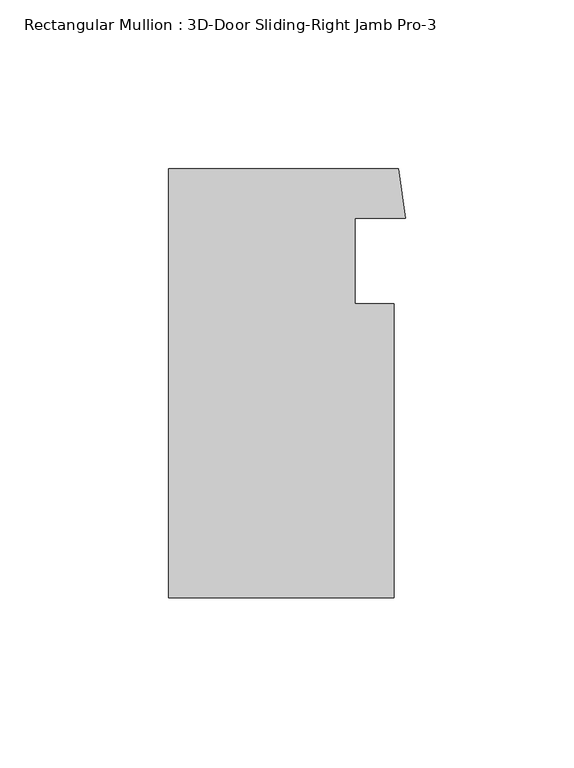
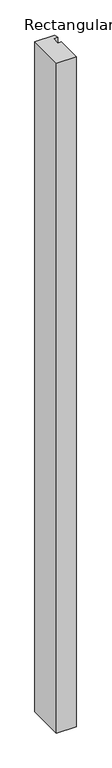
"""IFC4 building model written with IfcOpenShell, lengths in millimetres: member geometry, Rectangular Mullion : 3D-Door Sliding-Right Jamb Pro-3."""

import ifcopenshell
import ifcopenshell.guid

model = None  # the IFC model being written
_history = None  # IfcOwnerHistory: only IFC2X3 demands one
_inside = {}  # id of a spatial element -> (the spatial element, [elements in it])
_under = {}  # id of a project, library or spatial element -> (it, [spatial elements below it])
_declared = {}  # id of a project -> (the project, [libraries it declares])
_typed = {}  # id of a type object -> (the type object, [elements of that type])
_made_of = {}  # id of a material, layer set ... -> (it, [elements and type objects made of it])


def new_model(schema):
    """Start an empty IFC model of exactly this schema.

    Asked for "IFC4X3", IfcOpenShell would pick the latest addendum, in which some entities
    have other attributes; the version numbers below select the first issue.
    IFC2X3 requires an IfcOwnerHistory on every rooted entity: one is made here for all.
    """
    global model, _history
    if schema == "IFC4X3":
        model = ifcopenshell.file(schema_version=(4, 3, 0, 0))
    else:
        model = ifcopenshell.file(schema=schema)
    _inside.clear()
    _under.clear()
    _declared.clear()
    _typed.clear()
    _made_of.clear()
    _history = None
    if model.schema == "IFC2X3":
        org = make("IfcOrganization", Name="unknown")
        user = make(
            "IfcPersonAndOrganization",
            ThePerson=make("IfcPerson", FamilyName="unknown"),
            TheOrganization=org,
        )
        app = make(
            "IfcApplication",
            ApplicationDeveloper=org,
            Version="unknown",
            ApplicationFullName="unknown",
            ApplicationIdentifier="unknown",
        )
        _history = make(
            "IfcOwnerHistory",
            OwningUser=user,
            OwningApplication=app,
            ChangeAction="ADDED",
            CreationDate=0,
        )
    return model


def make(cls, **values):
    """One entity of the class cls with the attributes given. An attribute that is None is left unset."""
    return model.create_entity(
        cls, **{name: value for name, value in values.items() if value is not None}
    )


def rooted(cls, **values):
    """An entity with a GlobalId (a new one), such as an element, a storey or a relation."""
    return make(cls, GlobalId=ifcopenshell.guid.new(), OwnerHistory=_history, **values)


def si_unit(unit_type, name, prefix=None):
    """IfcSIUnit, for example si_unit("LENGTHUNIT", "METRE", prefix="MILLI")."""
    return make("IfcSIUnit", UnitType=unit_type, Prefix=prefix, Name=name)


def assignment(units):
    """IfcUnitAssignment: the units of a project."""
    return None if units is None else make("IfcUnitAssignment", Units=units)


def point(xyz):
    """IfcCartesianPoint."""
    return None if xyz is None else make("IfcCartesianPoint", Coordinates=xyz)


def direction(xyz):
    """IfcDirection."""
    return None if xyz is None else make("IfcDirection", DirectionRatios=xyz)


def frame(location, z_axis=None, x_axis=None):
    """IfcAxis2Placement3D, a coordinate frame: its origin and axes. An axis left out is left unset."""
    return make(
        "IfcAxis2Placement3D",
        Location=point(location),
        Axis=direction(z_axis),
        RefDirection=direction(x_axis),
    )


def origin():
    """The frame at (0, 0, 0) with its axes left unset."""
    return frame((0.0, 0.0, 0.0))


def place(relative_to, where):
    """IfcLocalPlacement: puts the frame where relative to a parent placement (None: the world)."""
    return make(
        "IfcLocalPlacement", PlacementRelTo=relative_to, RelativePlacement=where
    )


def context(
    kind, dimensions, precision=None, world=None, true_north=None, identifier=None
):
    """IfcGeometricRepresentationContext, for example the 3D "Model" context."""
    return make(
        "IfcGeometricRepresentationContext",
        ContextIdentifier=identifier,
        ContextType=kind,
        CoordinateSpaceDimension=dimensions,
        Precision=precision,
        WorldCoordinateSystem=world,
        TrueNorth=true_north,
    )


def project(units=None, contexts=None):
    """IfcProject with its units and contexts."""
    return rooted(
        "IfcProject",
        Name="project",
        RepresentationContexts=contexts,
        UnitsInContext=assignment(units),
    )


def spatial(cls, under=None, at=None, **own):
    """A site, building, storey or space (cls), placed at a placement, below another one or the project."""
    s = rooted(cls, ObjectPlacement=at, **own)
    if under is not None:
        _under.setdefault(under.id(), (under, []))[1].append(s)
    return s


def polyline(points):
    """IfcPolyline through the points."""
    return make("IfcPolyline", Points=[point(p) for p in points])


def outline(outer, holes=None, kind="AREA"):
    """IfcArbitraryClosedProfileDef: a profile drawn as a closed curve; with holes, ...WithVoids."""
    if holes is None:
        return make("IfcArbitraryClosedProfileDef", ProfileType=kind, OuterCurve=outer)
    return make(
        "IfcArbitraryProfileDefWithVoids",
        ProfileType=kind,
        OuterCurve=outer,
        InnerCurves=holes,
    )


def extrude(swept, where, along, depth):
    """IfcExtrudedAreaSolid: the profile swept, set in the frame where, extruded along a direction by depth."""
    return make(
        "IfcExtrudedAreaSolid",
        SweptArea=swept,
        Position=where,
        ExtrudedDirection=direction(along),
        Depth=depth,
    )


def shape(context_of_items, identifier, shape_type, items):
    """IfcShapeRepresentation: the items that make up one representation, for example the "Body"."""
    return make(
        "IfcShapeRepresentation",
        ContextOfItems=context_of_items,
        RepresentationIdentifier=identifier,
        RepresentationType=shape_type,
        Items=items,
    )


def source(mapping_origin, context_of_items, identifier, shape_type, items):
    """IfcRepresentationMap: a shape defined once, which mapped items show again and again."""
    return make(
        "IfcRepresentationMap",
        MappingOrigin=mapping_origin,
        MappedRepresentation=shape(context_of_items, identifier, shape_type, items),
    )


def transform(
    local_origin,
    x_axis=None,
    y_axis=None,
    z_axis=None,
    scale=None,
    scale2=None,
    scale3=None,
    uniform=True,
):
    """IfcCartesianTransformationOperator3D, or its non-uniform kind. x_axis, y_axis, z_axis: its Axis1, 2, 3."""
    if uniform:
        return make(
            "IfcCartesianTransformationOperator3D",
            Axis1=direction(x_axis),
            Axis2=direction(y_axis),
            LocalOrigin=point(local_origin),
            Scale=scale,
            Axis3=direction(z_axis),
        )
    return make(
        "IfcCartesianTransformationOperator3DnonUniform",
        Axis1=direction(x_axis),
        Axis2=direction(y_axis),
        LocalOrigin=point(local_origin),
        Scale=scale,
        Axis3=direction(z_axis),
        Scale2=scale2,
        Scale3=scale3,
    )


def mapped(mapping_source, mapping_target):
    """IfcMappedItem: shows the shape of a source again, moved by a transform."""
    return make(
        "IfcMappedItem", MappingSource=mapping_source, MappingTarget=mapping_target
    )


def made_of(thing, what):
    """Note that an element or type object is made of a material, layer set ...; save() writes the relation."""
    if what is not None:
        _made_of.setdefault(what.id(), (what, []))[1].append(thing)
    return thing


def element(
    cls,
    number,
    at=None,
    inside=None,
    cuts=None,
    type_object=None,
    material=None,
    context=None,
    identifier="Body",
    shape_type=None,
    held_by="IfcProductDefinitionShape",
    body=None,
    shapes=None,
    **own,
):
    """One element of the class cls, such as IfcWall. Its Tag is "e" and its number.

    at: its placement. inside: the storey or other place that contains it. cuts: it is an
    opening in that element (IfcRelVoidsElement). A single representation is given by context,
    identifier, shape_type and body (its items); several are given by shapes. held_by: the class
    of the entity that holds the representations. save() writes the other relations.
    """
    e = rooted(cls, Tag="e%d" % number, ObjectPlacement=at, **own)
    if body is not None:
        shapes = [shape(context, identifier, shape_type, body)]
    if shapes is not None:
        e.Representation = make(held_by, Representations=shapes)
    if inside is not None:
        _inside.setdefault(inside.id(), (inside, []))[1].append(e)
    if cuts is not None:
        rooted(
            "IfcRelVoidsElement", RelatingBuildingElement=cuts, RelatedOpeningElement=e
        )
    if type_object is not None:
        _typed.setdefault(type_object.id(), (type_object, []))[1].append(e)
    return made_of(e, material)


def aggregate(whole, parts):
    """IfcRelAggregates: a whole, such as a stair, and the parts it consists of."""
    return rooted("IfcRelAggregates", RelatingObject=whole, RelatedObjects=parts)


def save(model, path):
    """Write the relations noted so far, then the file.

    IfcRelAggregates (storeys below a building ...), IfcRelContainedInSpatialStructure (elements
    in a storey), IfcRelDefinesByType, IfcRelAssociatesMaterial and IfcRelDeclares: one each for
    every whole, place, type object, material and project.
    """
    for whole, parts in _under.values():
        aggregate(whole, parts)
    for where, things in _inside.values():
        rooted(
            "IfcRelContainedInSpatialStructure",
            RelatedElements=things,
            RelatingStructure=where,
        )
    for kind, things in _typed.values():
        rooted("IfcRelDefinesByType", RelatedObjects=things, RelatingType=kind)
    for what, things in _made_of.values():
        rooted("IfcRelAssociatesMaterial", RelatedObjects=things, RelatingMaterial=what)
    for by, libraries in _declared.values():
        rooted("IfcRelDeclares", RelatingContext=by, RelatedDefinitions=libraries)
    model.write(path)


def rectangular_mullion_3d_door_sliding_right_jamb_pro_3_cde81ece(model_context):
    return source(origin(), model_context, "Body", "SweptSolid", [
        extrude(outline(polyline([(28.575, -73.025), (-38.1000081, -73.025), (-38.1000081, 53.975), (29.9153925, 53.975), (31.9827036, 39.3889716), (17.0887205, 39.3889716), (17.0887205, 14.0881904), (28.575, 14.0881904), (28.575, -73.025)])), frame((0.0, 0.0, -2408.73286), z_axis=(0.0, 0.0, 1.0), x_axis=(1.0, 0.0, 0.0)), (0.0, 0.0, 1.0), 2408.73286),
    ])


if __name__ == "__main__":
    model = new_model("IFC4")
    model_context = context("Model", 3, world=origin())
    ifc_project = project(units=[si_unit("LENGTHUNIT", "METRE", prefix="MILLI")], contexts=[model_context])
    site = spatial("IfcSite", under=ifc_project)
    building = spatial("IfcBuilding", under=site)
    placement = place(None, origin())
    rectangular_mullion_3d_door_sliding_right_jamb_pro_3_shape = rectangular_mullion_3d_door_sliding_right_jamb_pro_3_cde81ece(model_context)
    element("IfcMember", 1, ObjectType="Rectangular Mullion : 3D-Door Sliding-Right Jamb Pro-3", at=placement, inside=building, context=model_context, shape_type="MappedRepresentation", body=[
        mapped(rectangular_mullion_3d_door_sliding_right_jamb_pro_3_shape, transform((0.0, 0.0, 0.0), x_axis=(1.0, 0.0, 0.0), y_axis=(0.0, 1.0, 0.0), z_axis=(0.0, 0.0, 1.0))),
    ])
    save(model, "model.ifc")
